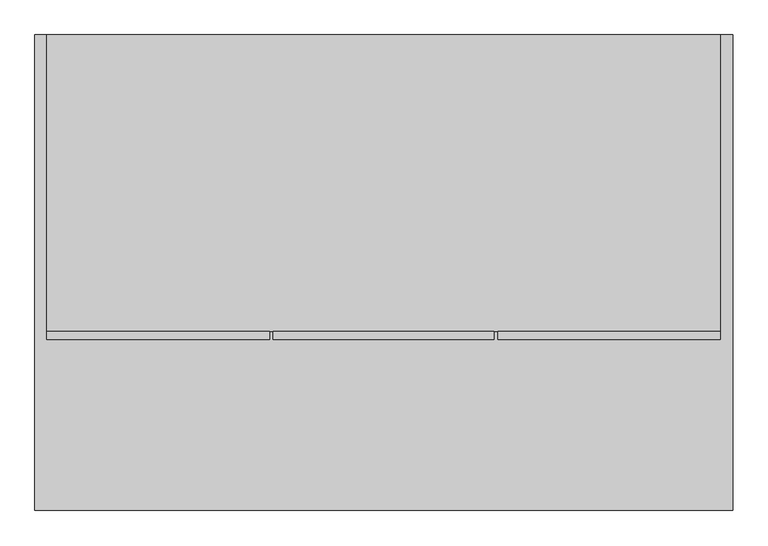
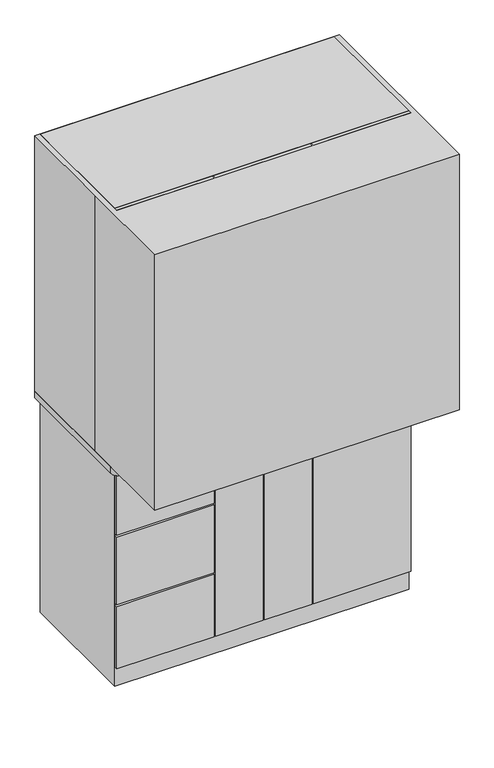
"""IFC4 building model written with IfcOpenShell, lengths in millimetres: proxy geometry."""

from ifc_helpers import new_model, si_unit, point, frame, frame_2d, origin, origin_with_axes, place, context, project, spatial, polyline, circle_curve, trimmed, segment, composite_curve, outline, extrude, source, transform, mapped, element, save


def specialty_equipment_3eb56f56(model_context):
    return source(origin(), model_context, "Body", "SweptSolid", [
        extrude(outline(composite_curve([segment(polyline([(1692.275, -412.3025692), (1482.725, -412.3025692)]), True, "CONTINUOUS"), segment(trimmed(circle_curve(frame_2d((1482.725, -361.5025692)), 50.8), [point((1482.725, -412.3025692))], [point((1482.725, -310.7025692))], False, "CARTESIAN"), True, "CONTINUOUS"), segment(polyline([(1482.725, -310.7025692), (1692.275, -310.7025692)]), True, "CONTINUOUS"), segment(trimmed(circle_curve(frame_2d((1692.275, -361.5025692)), 50.8), [point((1692.275, -310.7025692))], [point((1692.275, -412.3025692))], False, "CARTESIAN"), True, "CONTINUOUS")], self_intersect=False)), frame((0.0, -106.6936289, 0.0), z_axis=(0.0, 1.0, 0.0), x_axis=(0.0, 0.0, 1.0)), (0.0, 0.0, 1.0), 12.7),
        extrude(outline(composite_curve([segment(trimmed(circle_curve(frame_2d((1482.725, -0.2452076)), 50.8), [point((1482.725, -51.0452076))], [point((1482.725, 50.5547924))], False, "CARTESIAN"), True, "CONTINUOUS"), segment(polyline([(1482.725, 50.5547924), (1692.275, 50.5547924)]), True, "CONTINUOUS"), segment(trimmed(circle_curve(frame_2d((1692.275, -0.2452076)), 50.8), [point((1692.275, 50.5547924))], [point((1692.275, -51.0452076))], False, "CARTESIAN"), True, "CONTINUOUS"), segment(polyline([(1692.275, -51.0452076), (1482.725, -51.0452076)]), True, "CONTINUOUS")], self_intersect=False)), frame((0.0, -106.6936289, 0.0), z_axis=(0.0, 1.0, 0.0), x_axis=(0.0, 0.0, 1.0)), (0.0, 0.0, 1.0), 12.7),
        extrude(outline(composite_curve([segment(polyline([(1692.275, 310.212154), (1482.725, 310.212154)]), True, "CONTINUOUS"), segment(trimmed(circle_curve(frame_2d((1482.725, 361.012154)), 50.8), [point((1482.725, 310.212154))], [point((1482.725, 411.812154))], False, "CARTESIAN"), True, "CONTINUOUS"), segment(polyline([(1482.725, 411.812154), (1692.275, 411.812154)]), True, "CONTINUOUS"), segment(trimmed(circle_curve(frame_2d((1692.275, 361.012154)), 50.8), [point((1692.275, 411.812154))], [point((1692.275, 310.212154))], False, "CARTESIAN"), True, "CONTINUOUS")], self_intersect=False)), frame((0.0, -106.6936289, 0.0), z_axis=(0.0, 1.0, 0.0), x_axis=(0.0, 0.0, 1.0)), (0.0, 0.0, 1.0), 12.7),
        extrude(outline(polyline([(1854.2, -183.2551384), (1854.2, -539.75), (1320.8, -539.75), (1320.8, -183.2551384), (1854.2, -183.2551384)]), holes=[composite_curve([segment(trimmed(circle_curve(frame_2d((1692.275, -361.5025692)), 50.8), [point((1692.275, -412.3025692))], [point((1692.275, -310.7025692))], True, "CARTESIAN"), True, "CONTINUOUS"), segment(polyline([(1692.275, -310.7025692), (1482.725, -310.7025692)]), True, "CONTINUOUS"), segment(trimmed(circle_curve(frame_2d((1482.725, -361.5025692)), 50.8), [point((1482.725, -310.7025692))], [point((1482.725, -412.3025692))], True, "CARTESIAN"), True, "CONTINUOUS"), segment(polyline([(1482.725, -412.3025692), (1692.275, -412.3025692)]), True, "CONTINUOUS")], self_intersect=False)]), frame((0.0, -106.6936289, 0.0), z_axis=(0.0, 1.0, 0.0), x_axis=(0.0, 0.0, 1.0)), (0.0, 0.0, 1.0), 12.7),
        extrude(outline(polyline([(1854.2, -176.9051384), (1320.8, -176.9051384), (1320.8, 176.4147232), (1854.2, 176.4147232), (1854.2, -176.9051384)]), holes=[composite_curve([segment(trimmed(circle_curve(frame_2d((1692.275, -0.2452076)), 50.8), [point((1692.275, -51.0452076))], [point((1692.275, 50.5547924))], True, "CARTESIAN"), True, "CONTINUOUS"), segment(polyline([(1692.275, 50.5547924), (1482.725, 50.5547924)]), True, "CONTINUOUS"), segment(trimmed(circle_curve(frame_2d((1482.725, -0.2452076)), 50.8), [point((1482.725, 50.5547924))], [point((1482.725, -51.0452076))], True, "CARTESIAN"), True, "CONTINUOUS"), segment(polyline([(1482.725, -51.0452076), (1692.275, -51.0452076)]), True, "CONTINUOUS")], self_intersect=False)]), frame((0.0, -106.6936289, 0.0), z_axis=(0.0, 1.0, 0.0), x_axis=(0.0, 0.0, 1.0)), (0.0, 0.0, 1.0), 12.7),
        extrude(outline(polyline([(1854.2, 182.7647232), (1320.8, 182.7647232), (1320.8, 539.2595848), (1854.2, 539.2595848), (1854.2, 182.7647232)]), holes=[composite_curve([segment(trimmed(circle_curve(frame_2d((1692.275, 361.012154)), 50.8), [point((1692.275, 310.212154))], [point((1692.275, 411.812154))], True, "CARTESIAN"), True, "CONTINUOUS"), segment(polyline([(1692.275, 411.812154), (1482.725, 411.812154)]), True, "CONTINUOUS"), segment(trimmed(circle_curve(frame_2d((1482.725, 361.012154)), 50.8), [point((1482.725, 411.812154))], [point((1482.725, 310.212154))], True, "CARTESIAN"), True, "CONTINUOUS"), segment(polyline([(1482.725, 310.212154), (1692.275, 310.212154)]), True, "CONTINUOUS")], self_intersect=False)]), frame((0.0, -106.6936289, 0.0), z_axis=(0.0, 1.0, 0.0), x_axis=(0.0, 0.0, 1.0)), (0.0, 0.0, 1.0), 12.7),
        extrude(outline(polyline([(-183.2551384, -106.6936289), (-539.75, -106.6936289), (-539.75, -93.9936289), (-183.2551384, -93.9936289), (-183.2551384, -106.6936289)])), frame((0.0, 0.0, 593.725), z_axis=(0.0, 0.0, 1.0), x_axis=(1.0, 0.0, 0.0)), (0.0, 0.0, 1.0), 244.475),
        extrude(outline(polyline([(-183.2551384, -106.6936289), (-539.75, -106.6936289), (-539.75, -93.9936289), (-183.2551384, -93.9936289), (-183.2551384, -106.6936289)])), frame((0.0, 0.0, 76.2600653), z_axis=(0.0, 0.0, 1.0), x_axis=(1.0, 0.0, 0.0)), (0.0, 0.0, 1.0), 241.2399347),
        extrude(outline(polyline([(539.2595848, -106.6936289), (182.7647232, -106.6936289), (182.7647232, -93.9936289), (539.2595848, -93.9936289), (539.2595848, -106.6936289)])), frame((0.0, 0.0, 76.2600653), z_axis=(0.0, 0.0, 1.0), x_axis=(1.0, 0.0, 0.0)), (0.0, 0.0, 1.0), 761.9399347),
        extrude(outline(polyline([(-3.4202076, -106.6936289), (-176.9051384, -106.6936289), (-176.9051384, -93.9936289), (-3.4202076, -93.9936289), (-3.4202076, -106.6936289)])), frame((0.0, 0.0, 76.2600653), z_axis=(0.0, 0.0, 1.0), x_axis=(1.0, 0.0, 0.0)), (0.0, 0.0, 1.0), 761.9399347),
        extrude(outline(polyline([(176.4147232, -106.6936289), (2.9297924, -106.6936289), (2.9297924, -93.9936289), (176.4147232, -93.9936289), (176.4147232, -106.6936289)])), frame((0.0, 0.0, 76.2600653), z_axis=(0.0, 0.0, 1.0), x_axis=(1.0, 0.0, 0.0)), (0.0, 0.0, 1.0), 761.9399347),
        extrude(outline(polyline([(-183.2551384, -106.6936289), (-539.75, -106.6936289), (-539.75, -93.9936289), (-183.2551384, -93.9936289), (-183.2551384, -106.6936289)])), frame((0.0, 0.0, 323.85), z_axis=(0.0, 0.0, 1.0), x_axis=(1.0, 0.0, 0.0)), (0.0, 0.0, 1.0), 263.525),
        extrude(outline(polyline([(513.8595848, 355.6), (-514.35, 355.6), (-514.35, 381.0), (513.8595848, 381.0), (513.8595848, 355.6)])), frame((0.0, 0.0, 863.6), z_axis=(0.0, 0.0, 1.0), x_axis=(1.0, 0.0, 0.0)), (0.0, 0.0, 1.0), 381.0),
        extrude(outline(polyline([(-514.35, 203.2), (-539.75, 203.2), (-539.75, 381.0), (-514.35, 381.0), (-514.35, 203.2)])), frame((0.0, 0.0, 863.6), z_axis=(0.0, 0.0, 1.0), x_axis=(1.0, 0.0, 0.0)), (0.0, 0.0, 1.0), 381.0),
        extrude(outline(polyline([(539.2595848, 203.2), (513.8595848, 203.2), (513.8595848, 381.0), (539.2595848, 381.0), (539.2595848, 203.2)])), frame((0.0, 0.0, 863.6), z_axis=(0.0, 0.0, 1.0), x_axis=(1.0, 0.0, 0.0)), (0.0, 0.0, 1.0), 381.0),
        extrude(outline(composite_curve([segment(polyline([(-558.8, -101.6), (-558.8, 381.0), (558.8, 381.0), (558.8, -101.6)]), True, "CONTINUOUS"), segment(trimmed(circle_curve(frame_2d((533.4, -101.6)), 25.4), [point((558.8, -101.6))], [point((533.4, -127.0))], False, "CARTESIAN"), True, "CONTINUOUS"), segment(polyline([(533.4, -127.0), (-533.4, -127.0)]), True, "CONTINUOUS"), segment(trimmed(circle_curve(frame_2d((-533.4, -101.6)), 25.4), [point((-533.4, -127.0))], [point((-558.8, -101.6))], False, "CARTESIAN"), True, "CONTINUOUS")], self_intersect=False)), frame((0.0, 0.0, 838.2), z_axis=(0.0, 0.0, 1.0), x_axis=(1.0, 0.0, 0.0)), (0.0, 0.0, 1.0), 25.4),
        extrude(outline(polyline([(539.2595848, 381.0), (539.2595848, -93.9936289), (-539.75, -93.9936289), (-539.75, 381.0), (539.2595848, 381.0)])), frame((0.0, 0.0, 1244.6), z_axis=(0.0, 0.0, 1.0), x_axis=(1.0, 0.0, 0.0)), (0.0, 0.0, 1.0), 609.6),
        extrude(outline(polyline([(539.2595848, 381.0), (539.2595848, -93.9936289), (-539.75, -93.9936289), (-539.75, 381.0), (539.2595848, 381.0)])), origin_with_axes(), (0.0, 0.0, 1.0), 838.2),
        extrude(outline(polyline([(-558.8, 381.0), (558.8, 381.0), (558.8, -381.0), (-558.8, -381.0), (-558.8, 0.0), (-558.8, 381.0)])), frame((0.0, 0.0, 863.6), z_axis=(0.0, 0.0, 1.0), x_axis=(1.0, 0.0, 0.0)), (0.0, 0.0, 1.0), 990.6),
    ])


if __name__ == "__main__":
    model = new_model("IFC4")
    model_context = context("Model", 3, world=origin())
    ifc_project = project(units=[si_unit("LENGTHUNIT", "METRE", prefix="MILLI")], contexts=[model_context])
    site = spatial("IfcSite", under=ifc_project)
    building = spatial("IfcBuilding", under=site)
    placement = place(None, origin())
    specialty_equipment_shape = specialty_equipment_3eb56f56(model_context)
    element("IfcBuildingElementProxy", 1, Name="Specialty Equipment", at=placement, inside=building, context=model_context, shape_type="MappedRepresentation", body=[
        mapped(specialty_equipment_shape, transform((0.0, 0.0, 0.0), x_axis=(1.0, 0.0, 0.0), y_axis=(0.0, 1.0, 0.0), z_axis=(0.0, 0.0, 1.0))),
    ])
    save(model, "model.ifc")
